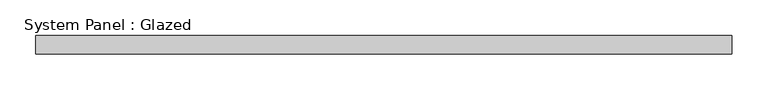
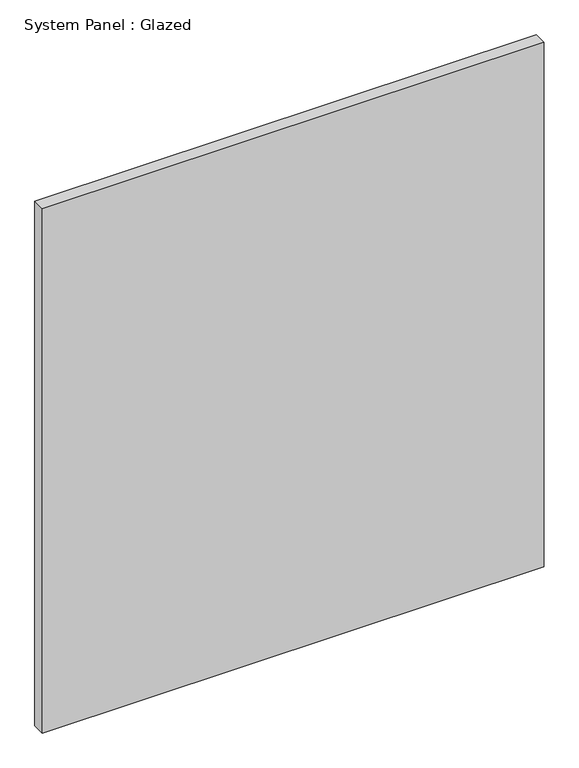
"""IFC4 building model written with IfcOpenShell, lengths in millimetres: plate geometry, System Panel : Glazed."""

from ifc_helpers import new_model, si_unit, origin, origin_with_axes, place, context, project, spatial, polyline, outline, extrude, source, transform, mapped, element, save


def system_panel_glazed_6a0f6b58(model_context):
    return source(origin(), model_context, "Body", "SweptSolid", [
        extrude(outline(polyline([(485.775, 19.05), (-485.775, 19.05), (-485.775, 44.45), (485.775, 44.45), (485.775, 19.05)])), origin_with_axes(), (0.0, 0.0, 1.0), 1073.15),
    ])


if __name__ == "__main__":
    model = new_model("IFC4")
    model_context = context("Model", 3, world=origin())
    ifc_project = project(units=[si_unit("LENGTHUNIT", "METRE", prefix="MILLI")], contexts=[model_context])
    site = spatial("IfcSite", under=ifc_project)
    building = spatial("IfcBuilding", under=site)
    placement = place(None, origin())
    system_panel_glazed_shape = system_panel_glazed_6a0f6b58(model_context)
    element("IfcPlate", 1, ObjectType="System Panel : Glazed", at=placement, inside=building, context=model_context, shape_type="MappedRepresentation", body=[
        mapped(system_panel_glazed_shape, transform((0.0, 0.0, 0.0), x_axis=(1.0, 0.0, 0.0), y_axis=(0.0, 1.0, 0.0), z_axis=(0.0, 0.0, 1.0))),
    ])
    save(model, "model.ifc")
